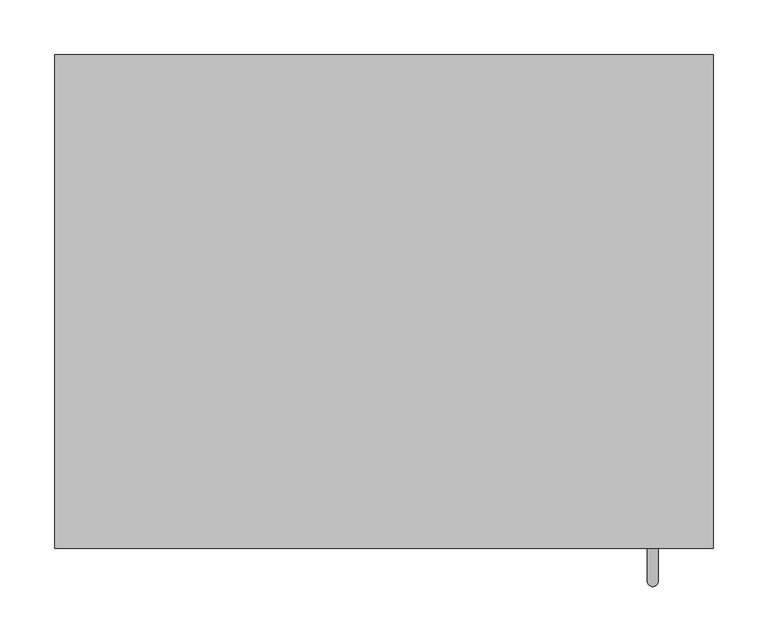
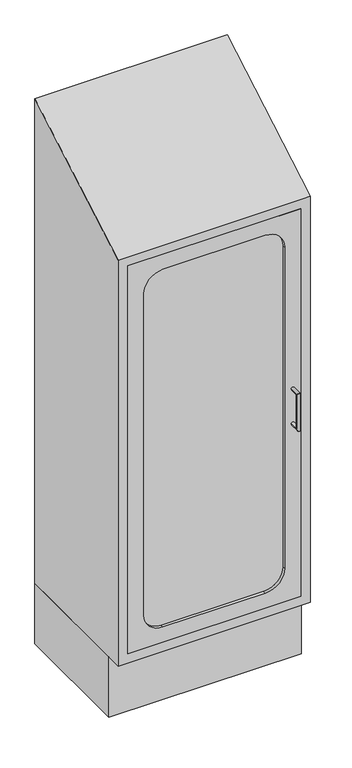
"""IFC4 building model written with IfcOpenShell, lengths in millimetres: proxy geometry."""

from ifc_helpers import new_model, si_unit, point, frame, frame_2d, origin, origin_with_axes, place, context, project, spatial, polyline, circle_curve, ellipse_curve, trimmed, segment, composite_curve, outline, extrude, faceted_brep, source, transform, mapped, element, save
from ifc_brep_helpers import plane_surface, cylinder_surface, advanced_brep


def specialty_equipment_816b3e8f(model_context):
    return source(origin(), model_context, "Body", "SolidModel", [
        advanced_brep(
        [(240.0, -225.0, 925.0), (250.0, -225.0, 925.0), (240.0, -255.0, 925.0), (250.0, -255.0, 925.0), (240.0, -255.0, 810.0), (250.0, -255.0, 810.0), (240.0, -225.0, 810.0), (250.0, -225.0, 810.0)],
        [
            (0, 1, circle_curve(frame((245.0, -225.0, 925.0), z_axis=(0.0, 1.0, 0.0), x_axis=(1.0, 0.0, 0.0)), 5.0)),
            (1, 0, circle_curve(frame((245.0, -225.0, 925.0), z_axis=(0.0, 1.0, 0.0), x_axis=(1.0, 0.0, 0.0)), 5.0)),
            (0, 2),
            (2, 3, ellipse_curve(frame((245.0, -255.0, 925.0), z_axis=(0.0, 0.7071067811865508, 0.7071067811865442), x_axis=(0.0, 0.7071067811865442, -0.7071067811865507)), 7.0710678, 5.0)),
            (3, 1),
            (3, 2, ellipse_curve(frame((245.0, -255.0, 925.0), z_axis=(0.0, 0.7071067811865508, 0.7071067811865442), x_axis=(0.0, 0.7071067811865442, -0.7071067811865507)), 7.0710678, 5.0)),
            (2, 4),
            (4, 5, ellipse_curve(frame((245.0, -255.0, 810.0), z_axis=(0.0, -0.7071067811865442, 0.7071067811865508), x_axis=(0.0, 0.7071067811865508, 0.7071067811865441)), 7.0710678, 5.0)),
            (5, 3),
            (5, 4, ellipse_curve(frame((245.0, -255.0, 810.0), z_axis=(0.0, -0.7071067811865442, 0.7071067811865508), x_axis=(0.0, 0.7071067811865508, 0.7071067811865441)), 7.0710678, 5.0)),
            (6, 7, circle_curve(frame((245.0, -225.0, 810.0), z_axis=(0.0, 1.0, 0.0), x_axis=(1.0, 0.0, 0.0)), 5.0)),
            (7, 6, circle_curve(frame((245.0, -225.0, 810.0), z_axis=(0.0, 1.0, 0.0), x_axis=(1.0, 0.0, 0.0)), 5.0)),
            (4, 6),
            (7, 5),
        ],
        [
            plane_surface(frame((0.0, -225.0, 925.0), z_axis=(0.0, 1.0, 0.0), x_axis=(1.0, 0.0, 0.0))),
            cylinder_surface(frame((245.0, -225.0, 925.0), z_axis=(0.0, 1.0, 0.0), x_axis=(1.0, 0.0, 0.0)), 5.0),
            cylinder_surface(frame((245.0, -255.0, 925.0), z_axis=(0.0, 0.0, 1.0), x_axis=(1.0, 0.0, 0.0)), 5.0),
            plane_surface(frame((0.0, -225.0, 810.0), z_axis=(0.0, 1.0, 0.0), x_axis=(1.0, 0.0, 0.0))),
            cylinder_surface(frame((245.0, -255.0, 810.0), z_axis=(0.0, -1.0, 0.0), x_axis=(1.0, 0.0, 0.0)), 5.0),
        ],
        [
            (0, [[1, 2]]),
            (1, [[-1, 3, 4, 5]]),
            (1, [[-2, -5, 6, -3]]),
            (2, [[-4, 7, 8, 9]]),
            (2, [[-6, -9, 10, -7]]),
            (3, [[11, 12]]),
            (4, [[-8, 13, -12, 14]]),
            (4, [[-10, -14, -11, -13]]),
        ],
    ),
        extrude(outline(composite_curve([segment(polyline([(1460.0, 160.0), (1460.0, -160.0)]), True, "CONTINUOUS"), segment(trimmed(circle_curve(frame_2d((1400.0, -160.0)), 60.0), [point((1460.0, -160.0))], [point((1400.0, -220.0))], False, "CARTESIAN"), True, "CONTINUOUS"), segment(polyline([(1400.0, -220.0), (340.0, -220.0)]), True, "CONTINUOUS"), segment(trimmed(circle_curve(frame_2d((340.0, -160.0)), 60.0), [point((340.0, -220.0))], [point((280.0, -160.0))], False, "CARTESIAN"), True, "CONTINUOUS"), segment(polyline([(280.0, -160.0), (280.0, 160.0)]), True, "CONTINUOUS"), segment(trimmed(circle_curve(frame_2d((340.0, 160.0)), 60.0), [point((280.0, 160.0))], [point((340.0, 220.0))], False, "CARTESIAN"), True, "CONTINUOUS"), segment(polyline([(340.0, 220.0), (1400.0, 220.0)]), True, "CONTINUOUS"), segment(trimmed(circle_curve(frame_2d((1400.0, 160.0)), 60.0), [point((1400.0, 220.0))], [point((1460.0, 160.0))], False, "CARTESIAN"), True, "CONTINUOUS")], self_intersect=False)), frame((0.0, -215.0, 0.0), z_axis=(0.0, 1.0, 0.0), x_axis=(0.0, 0.0, 1.0)), (0.0, 0.0, 1.0), 20.0),
        extrude(outline(polyline([(270.0, 205.0), (270.0, -195.0), (-270.0, -195.0), (-270.0, 205.0), (270.0, 205.0)])), frame((0.0, 0.0, 1160.0), z_axis=(0.0, 0.0, 1.0), x_axis=(1.0, 0.0, 0.0)), (0.0, 0.0, 1.0), 20.0),
        extrude(outline(polyline([(270.0, 205.0), (270.0, -195.0), (-270.0, -195.0), (-270.0, 205.0), (270.0, 205.0)])), frame((0.0, 0.0, 560.0), z_axis=(0.0, 0.0, 1.0), x_axis=(1.0, 0.0, 0.0)), (0.0, 0.0, 1.0), 20.0),
        extrude(outline(polyline([(270.0, 205.0), (270.0, -195.0), (-270.0, -195.0), (-270.0, 205.0), (270.0, 205.0)])), frame((0.0, 0.0, 860.0), z_axis=(0.0, 0.0, 1.0), x_axis=(1.0, 0.0, 0.0)), (0.0, 0.0, 1.0), 20.0),
        extrude(outline(polyline([(1510.0, 270.0), (1510.0, -270.0), (230.0, -270.0), (230.0, 270.0), (1510.0, 270.0)]), holes=[composite_curve([segment(trimmed(circle_curve(frame_2d((1400.0, 160.0)), 60.0), [point((1460.0, 160.0))], [point((1400.0, 220.0))], True, "CARTESIAN"), True, "CONTINUOUS"), segment(polyline([(1400.0, 220.0), (340.0, 220.0)]), True, "CONTINUOUS"), segment(trimmed(circle_curve(frame_2d((340.0, 160.0)), 60.0), [point((340.0, 220.0))], [point((280.0, 160.0))], True, "CARTESIAN"), True, "CONTINUOUS"), segment(polyline([(280.0, 160.0), (280.0, -160.0)]), True, "CONTINUOUS"), segment(trimmed(circle_curve(frame_2d((340.0, -160.0)), 60.0), [point((280.0, -160.0))], [point((340.0, -220.0))], True, "CARTESIAN"), True, "CONTINUOUS"), segment(polyline([(340.0, -220.0), (1400.0, -220.0)]), True, "CONTINUOUS"), segment(trimmed(circle_curve(frame_2d((1400.0, -160.0)), 60.0), [point((1400.0, -220.0))], [point((1460.0, -160.0))], True, "CARTESIAN"), True, "CONTINUOUS"), segment(polyline([(1460.0, -160.0), (1460.0, 160.0)]), True, "CONTINUOUS")], self_intersect=False)]), frame((0.0, -225.0, 0.0), z_axis=(0.0, 1.0, 0.0), x_axis=(0.0, 0.0, 1.0)), (0.0, 0.0, 1.0), 30.0),
        faceted_brep([(300.0, 225.0, 1800.0), (300.0, -225.0, 1540.0), (300.0, -225.0, 200.0), (300.0, 225.0, 200.0), (-300.0, -225.0, 1540.0), (-300.0, 225.0, 1800.0), (-300.0, 225.0, 200.0), (-300.0, -225.0, 200.0), (270.0, -225.0, 1510.0), (270.0, -225.0, 230.0), (-270.0, -225.0, 230.0), (-270.0, -225.0, 1510.0), (-270.0, 205.0, 1510.0), (-270.0, 205.0, 230.0), (270.0, 205.0, 1510.0), (270.0, 205.0, 230.0)], [[[0, 1, 2, 3]], [[4, 5, 6, 7]], [[5, 0, 3, 6]], [[1, 0, 5, 4]], [[6, 3, 2, 7]], [[7, 2, 1, 4], [8, 9, 10, 11]], [[12, 11, 10, 13]], [[14, 12, 13, 15]], [[8, 14, 15, 9]], [[8, 11, 12, 14]], [[10, 9, 15, 13]]]),
        extrude(outline(polyline([(300.0, 225.0), (300.0, -175.0), (-300.0, -175.0), (-300.0, 225.0), (300.0, 225.0)])), origin_with_axes(), (0.0, 0.0, 1.0), 200.0),
    ])


if __name__ == "__main__":
    model = new_model("IFC4")
    model_context = context("Model", 3, world=origin())
    ifc_project = project(units=[si_unit("LENGTHUNIT", "METRE", prefix="MILLI")], contexts=[model_context])
    site = spatial("IfcSite", under=ifc_project)
    building = spatial("IfcBuilding", under=site)
    placement = place(None, origin())
    specialty_equipment_shape = specialty_equipment_816b3e8f(model_context)
    element("IfcBuildingElementProxy", 1, Name="Specialty Equipment", at=placement, inside=building, context=model_context, shape_type="MappedRepresentation", body=[
        mapped(specialty_equipment_shape, transform((0.0, 0.0, 0.0), x_axis=(1.0, 0.0, 0.0), y_axis=(0.0, 1.0, 0.0), z_axis=(0.0, 0.0, 1.0))),
    ])
    save(model, "model.ifc")
